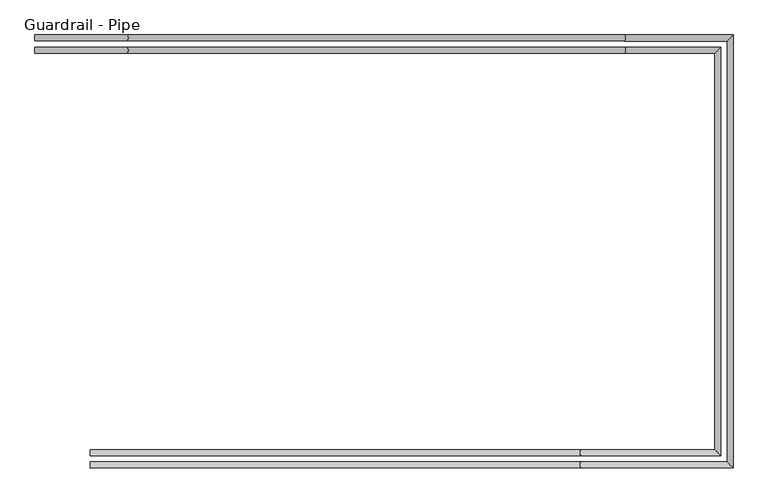
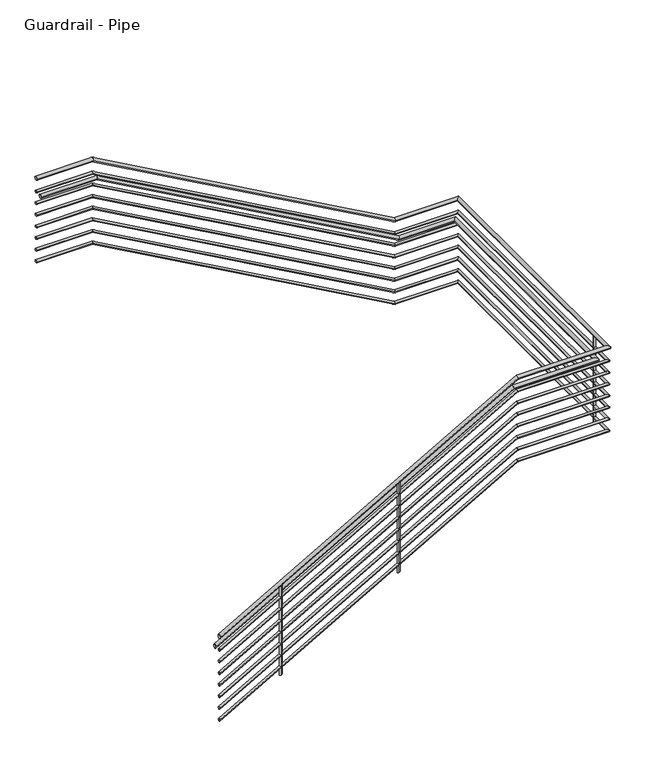
"""IFC4 building model written with IfcOpenShell, lengths in millimetres: railing geometry, Guardrail - Pipe."""

from ifc_helpers import new_model, si_unit, point, frame, frame_2d, origin, place, context, project, spatial, circle_curve, ellipse_curve, trimmed, segment, composite_curve, outline, extrude, source, transform, mapped, element, save
from ifc_brep_helpers import plane_surface, cylinder_surface, advanced_brep


def guardrail_pipe_fbd9bd39(model_context):
    return source(origin(), model_context, "Body", "SolidModel", [
        advanced_brep(
        [(2369.5904629, -21101.8840928, 8667.75), (2369.5904629, -21063.7840928, 8667.75), (2948.8126111, -21101.8840928, 8667.75), (2948.8126111, -21063.7840928, 8667.75), (6067.4829188, -21101.8840928, 6918.4630435), (6067.4829188, -21063.7840928, 6918.4630435), (6709.6952881, -21101.8840928, 6918.4630435), (6747.7952881, -21063.7840928, 6918.4630435), (6709.6952881, -23740.9587769, 6918.4630435), (6747.7952881, -23779.0587769, 6918.4630435), (5793.9869162, -23740.9587769, 6918.4630435), (5793.9869162, -23779.0587769, 6918.4630435), (2715.5452881, -23740.9587769, 5166.3065437), (2715.5452881, -23779.0587769, 5166.3065437)],
        [
            (0, 1, circle_curve(frame((2369.5904629, -21082.8340928, 8667.75), z_axis=(-1.0, 0.0, 0.0), x_axis=(0.0, 1.0, 0.0)), 19.05)),
            (1, 0, circle_curve(frame((2369.5904629, -21082.8340928, 8667.75), z_axis=(-1.0, 0.0, 0.0), x_axis=(0.0, 1.0, 0.0)), 19.05)),
            (0, 2),
            (2, 3, ellipse_curve(frame((2948.8126111, -21082.8340928, 8667.75), z_axis=(-0.967514398116073, 0.0, 0.252815920064566), x_axis=(-0.25281592006456594, 0.0, -0.967514398116073)), 19.6896295, 19.05)),
            (3, 1),
            (3, 2, ellipse_curve(frame((2948.8126111, -21082.8340928, 8667.75), z_axis=(-0.967514398116073, 0.0, 0.252815920064566), x_axis=(-0.25281592006456594, 0.0, -0.967514398116073)), 19.6896295, 19.05)),
            (2, 4),
            (4, 5, ellipse_curve(frame((6067.4829188, -21082.8340928, 6918.4630435), z_axis=(-0.967514398116073, 0.0, 0.25281592006456594), x_axis=(0.2528159200645659, 0.0, 0.967514398116073)), 19.6896295, 19.05)),
            (5, 3),
            (5, 4, ellipse_curve(frame((6067.4829188, -21082.8340928, 6918.4630435), z_axis=(-0.967514398116073, 0.0, 0.25281592006456594), x_axis=(0.2528159200645659, 0.0, 0.967514398116073)), 19.6896295, 19.05)),
            (4, 6),
            (6, 7, ellipse_curve(frame((6728.7452881, -21082.8340928, 6918.4630435), z_axis=(-0.7071067811865449, 0.70710678118655, 0.0), x_axis=(-0.7071067811865501, -0.7071067811865448, 0.0)), 26.9407684, 19.05)),
            (7, 5),
            (7, 6, ellipse_curve(frame((6728.7452881, -21082.8340928, 6918.4630435), z_axis=(-0.7071067811865449, 0.70710678118655, 0.0), x_axis=(-0.7071067811865501, -0.7071067811865448, 0.0)), 26.9407684, 19.05)),
            (6, 8),
            (8, 9, ellipse_curve(frame((6728.7452881, -23760.0087769, 6918.4630435), z_axis=(0.7071067811865501, 0.707106781186545, 0.0), x_axis=(-0.7071067811865451, 0.70710678118655, 0.0)), 26.9407684, 19.05)),
            (9, 7),
            (9, 8, ellipse_curve(frame((6728.7452881, -23760.0087769, 6918.4630435), z_axis=(0.7071067811865501, 0.707106781186545, 0.0), x_axis=(-0.7071067811865451, 0.70710678118655, 0.0)), 26.9407684, 19.05)),
            (8, 10),
            (10, 11, ellipse_curve(frame((5793.9869162, -23760.0087769, 6918.4630435), z_axis=(0.9667180176221442, 0.0, 0.25584423856071475), x_axis=(0.2558442385607142, 0.0, -0.9667180176221442)), 19.7058497, 19.05)),
            (11, 9),
            (11, 10, ellipse_curve(frame((5793.9869162, -23760.0087769, 6918.4630435), z_axis=(0.9667180176221442, 0.0, 0.25584423856071475), x_axis=(0.2558442385607142, 0.0, -0.9667180176221442)), 19.7058497, 19.05)),
            (12, 13, ellipse_curve(frame((2715.5452881, -23760.0087769, 5166.3065437), z_axis=(-1.0, 0.0, 0.0), x_axis=(0.0, 0.0, 1.0)), 21.9195433, 19.05)),
            (13, 12, ellipse_curve(frame((2715.5452881, -23760.0087769, 5166.3065437), z_axis=(-1.0, 0.0, 0.0), x_axis=(0.0, 0.0, 1.0)), 21.9195433, 19.05)),
            (10, 12),
            (13, 11),
        ],
        [
            plane_surface(frame((2369.5904629, -21082.8340928, 8686.8), z_axis=(-1.0, 0.0, 0.0), x_axis=(0.0, 1.0, 0.0))),
            cylinder_surface(frame((2369.5904629, -21082.8340928, 8667.75), z_axis=(-1.0, 0.0, 0.0), x_axis=(0.0, 1.0, 0.0)), 19.05),
            cylinder_surface(frame((2944.471087, -21082.8340928, 8670.1851954), z_axis=(-0.872168221123814, 0.0, 0.4892060854708596), x_axis=(0.0, 1.0, 0.0)), 19.05),
            cylinder_surface(frame((6072.4607706, -21082.8340928, 6918.4630435), z_axis=(-1.0, 0.0, 0.0), x_axis=(0.0, 1.0, 0.0)), 19.05),
            cylinder_surface(frame((6728.7452881, -21082.8340928, 6918.4630435), z_axis=(0.0, 1.0, 0.0), x_axis=(1.0, 0.0, 0.0)), 19.05),
            cylinder_surface(frame((6728.7452881, -23760.0087769, 6918.4630435), z_axis=(1.0, 0.0, 0.0), x_axis=(0.0, -1.0, 0.0)), 19.05),
            plane_surface(frame((2715.5452881, -23760.0087769, 5188.226087), z_axis=(-1.0, 0.0, 0.0), x_axis=(0.0, -1.0, 0.0))),
            cylinder_surface(frame((5798.3685319, -23760.0087769, 6920.9569275), z_axis=(0.8690874511905762, 0.0, 0.4946584702429222), x_axis=(0.0, -1.0, 0.0)), 19.05),
        ],
        [
            (0, [[1, 2]]),
            (1, [[-1, 3, 4, 5]]),
            (1, [[-2, -5, 6, -3]]),
            (2, [[-4, 7, 8, 9]]),
            (2, [[-6, -9, 10, -7]]),
            (3, [[-8, 11, 12, 13]]),
            (3, [[-10, -13, 14, -11]]),
            (4, [[-12, 15, 16, 17]]),
            (4, [[-14, -17, 18, -15]]),
            (5, [[-16, 19, 20, 21]]),
            (5, [[-18, -21, 22, -19]]),
            (6, [[23, 24]]),
            (7, [[-20, 25, -24, 26]]),
            (7, [[-22, -26, -23, -25]]),
        ],
    ),
        advanced_brep(
        [(2369.5904629, -21095.5340928, 8521.7), (2369.5904629, -21070.1340928, 8521.7), (2950.471895, -21095.5340928, 8521.7), (2950.471895, -21070.1340928, 8521.7), (6069.1422027, -21095.5340928, 6772.4130435), (6069.1422027, -21070.1340928, 6772.4130435), (6716.0452881, -21095.5340928, 6772.4130435), (6741.4452881, -21070.1340928, 6772.4130435), (6716.0452881, -23747.3087769, 6772.4130435), (6741.4452881, -23772.7087769, 6772.4130435), (5792.3063735, -23747.3087769, 6772.4130435), (5792.3063735, -23772.7087769, 6772.4130435), (2715.5452881, -23747.3087769, 5021.2130581), (2715.5452881, -23772.7087769, 5021.2130581)],
        [
            (0, 1, circle_curve(frame((2369.5904629, -21082.8340928, 8521.7), z_axis=(-1.0, 0.0, 0.0), x_axis=(0.0, 1.0, 0.0)), 12.7)),
            (1, 0, circle_curve(frame((2369.5904629, -21082.8340928, 8521.7), z_axis=(-1.0, 0.0, 0.0), x_axis=(0.0, 1.0, 0.0)), 12.7)),
            (0, 2),
            (2, 3, ellipse_curve(frame((2950.471895, -21082.8340928, 8521.7), z_axis=(-0.967514398116073, 0.0, 0.252815920064566), x_axis=(-0.25281592006456594, 0.0, -0.967514398116073)), 13.1264196, 12.7)),
            (3, 1),
            (3, 2, ellipse_curve(frame((2950.471895, -21082.8340928, 8521.7), z_axis=(-0.967514398116073, 0.0, 0.252815920064566), x_axis=(-0.25281592006456594, 0.0, -0.967514398116073)), 13.1264196, 12.7)),
            (2, 4),
            (4, 5, ellipse_curve(frame((6069.1422027, -21082.8340928, 6772.4130435), z_axis=(-0.967514398116073, 0.0, 0.25281592006456594), x_axis=(0.2528159200645659, 0.0, 0.967514398116073)), 13.1264196, 12.7)),
            (5, 3),
            (5, 4, ellipse_curve(frame((6069.1422027, -21082.8340928, 6772.4130435), z_axis=(-0.967514398116073, 0.0, 0.25281592006456594), x_axis=(0.2528159200645659, 0.0, 0.967514398116073)), 13.1264196, 12.7)),
            (4, 6),
            (6, 7, ellipse_curve(frame((6728.7452881, -21082.8340928, 6772.4130435), z_axis=(-0.7071067811865449, 0.70710678118655, 0.0), x_axis=(-0.7071067811865501, -0.7071067811865448, 0.0)), 17.9605122, 12.7)),
            (7, 5),
            (7, 6, ellipse_curve(frame((6728.7452881, -21082.8340928, 6772.4130435), z_axis=(-0.7071067811865449, 0.70710678118655, 0.0), x_axis=(-0.7071067811865501, -0.7071067811865448, 0.0)), 17.9605122, 12.7)),
            (6, 8),
            (8, 9, ellipse_curve(frame((6728.7452881, -23760.0087769, 6772.4130435), z_axis=(0.7071067811865501, 0.707106781186545, 0.0), x_axis=(-0.7071067811865451, 0.70710678118655, 0.0)), 17.9605122, 12.7)),
            (9, 7),
            (9, 8, ellipse_curve(frame((6728.7452881, -23760.0087769, 6772.4130435), z_axis=(0.7071067811865501, 0.707106781186545, 0.0), x_axis=(-0.7071067811865451, 0.70710678118655, 0.0)), 17.9605122, 12.7)),
            (8, 10),
            (10, 11, ellipse_curve(frame((5792.3063735, -23760.0087769, 6772.4130435), z_axis=(0.9667180176221442, 0.0, 0.25584423856071475), x_axis=(0.2558442385607142, 0.0, -0.9667180176221442)), 13.1372332, 12.7)),
            (11, 9),
            (11, 10, ellipse_curve(frame((5792.3063735, -23760.0087769, 6772.4130435), z_axis=(0.9667180176221442, 0.0, 0.25584423856071475), x_axis=(0.2558442385607142, 0.0, -0.9667180176221442)), 13.1372332, 12.7)),
            (12, 13, ellipse_curve(frame((2715.5452881, -23760.0087769, 5021.2130581), z_axis=(-1.0, 0.0, 0.0), x_axis=(0.0, 0.0, 1.0)), 14.6130289, 12.7)),
            (13, 12, ellipse_curve(frame((2715.5452881, -23760.0087769, 5021.2130581), z_axis=(-1.0, 0.0, 0.0), x_axis=(0.0, 0.0, 1.0)), 14.6130289, 12.7)),
            (10, 12),
            (13, 11),
        ],
        [
            plane_surface(frame((2369.5904629, -21082.8340928, 8534.4), z_axis=(-1.0, 0.0, 0.0), x_axis=(0.0, 1.0, 0.0))),
            cylinder_surface(frame((2369.5904629, -21082.8340928, 8521.7), z_axis=(-1.0, 0.0, 0.0), x_axis=(0.0, 1.0, 0.0)), 12.7),
            cylinder_surface(frame((2947.5775456, -21082.8340928, 8523.3234636), z_axis=(-0.872168221123814, 0.0, 0.4892060854708596), x_axis=(0.0, 1.0, 0.0)), 12.7),
            cylinder_surface(frame((6072.4607706, -21082.8340928, 6772.4130435), z_axis=(-1.0, 0.0, 0.0), x_axis=(0.0, 1.0, 0.0)), 12.7),
            cylinder_surface(frame((6728.7452881, -21082.8340928, 6772.4130435), z_axis=(0.0, 1.0, 0.0), x_axis=(1.0, 0.0, 0.0)), 12.7),
            cylinder_surface(frame((6728.7452881, -23760.0087769, 6772.4130435), z_axis=(1.0, 0.0, 0.0), x_axis=(0.0, -1.0, 0.0)), 12.7),
            plane_surface(frame((2715.5452881, -23760.0087769, 5035.826087), z_axis=(-1.0, 0.0, 0.0), x_axis=(0.0, -1.0, 0.0))),
            cylinder_surface(frame((5795.2274506, -23760.0087769, 6774.0756328), z_axis=(0.8690874511905762, 0.0, 0.4946584702429222), x_axis=(0.0, -1.0, 0.0)), 12.7),
        ],
        [
            (0, [[1, 2]]),
            (1, [[-1, 3, 4, 5]]),
            (1, [[-2, -5, 6, -3]]),
            (2, [[-4, 7, 8, 9]]),
            (2, [[-6, -9, 10, -7]]),
            (3, [[-8, 11, 12, 13]]),
            (3, [[-10, -13, 14, -11]]),
            (4, [[-12, 15, 16, 17]]),
            (4, [[-14, -17, 18, -15]]),
            (5, [[-16, 19, 20, 21]]),
            (5, [[-18, -21, 22, -19]]),
            (6, [[23, 24]]),
            (7, [[-20, 25, -24, 26]]),
            (7, [[-22, -26, -23, -25]]),
        ],
    ),
        advanced_brep(
        [(2369.5904629, -21178.0840928, 8515.35), (2369.5904629, -21139.9840928, 8515.35), (2948.8126111, -21178.0840928, 8515.35), (2948.8126111, -21139.9840928, 8515.35), (6067.4829188, -21178.0840928, 6766.0630435), (6067.4829188, -21139.9840928, 6766.0630435), (6633.4952881, -21178.0840928, 6766.0630435), (6671.5952881, -21139.9840928, 6766.0630435), (6633.4952881, -23664.7587769, 6766.0630435), (6671.5952881, -23702.8587769, 6766.0630435), (5793.9869162, -23664.7587769, 6766.0630435), (5793.9869162, -23702.8587769, 6766.0630435), (2715.5452881, -23664.7587769, 5013.9065437), (2715.5452881, -23702.8587769, 5013.9065437)],
        [
            (0, 1, circle_curve(frame((2369.5904629, -21159.0340928, 8515.35), z_axis=(-1.0, 0.0, 0.0), x_axis=(0.0, 1.0, 0.0)), 19.05)),
            (1, 0, circle_curve(frame((2369.5904629, -21159.0340928, 8515.35), z_axis=(-1.0, 0.0, 0.0), x_axis=(0.0, 1.0, 0.0)), 19.05)),
            (0, 2),
            (2, 3, ellipse_curve(frame((2948.8126111, -21159.0340928, 8515.35), z_axis=(-0.967514398116073, 0.0, 0.252815920064566), x_axis=(-0.25281592006456594, 0.0, -0.967514398116073)), 19.6896295, 19.05)),
            (3, 1),
            (3, 2, ellipse_curve(frame((2948.8126111, -21159.0340928, 8515.35), z_axis=(-0.967514398116073, 0.0, 0.252815920064566), x_axis=(-0.25281592006456594, 0.0, -0.967514398116073)), 19.6896295, 19.05)),
            (2, 4),
            (4, 5, ellipse_curve(frame((6067.4829188, -21159.0340928, 6766.0630435), z_axis=(-0.967514398116073, 0.0, 0.25281592006456594), x_axis=(0.2528159200645659, 0.0, 0.967514398116073)), 19.6896295, 19.05)),
            (5, 3),
            (5, 4, ellipse_curve(frame((6067.4829188, -21159.0340928, 6766.0630435), z_axis=(-0.967514398116073, 0.0, 0.25281592006456594), x_axis=(0.2528159200645659, 0.0, 0.967514398116073)), 19.6896295, 19.05)),
            (4, 6),
            (6, 7, ellipse_curve(frame((6652.5452881, -21159.0340928, 6766.0630435), z_axis=(-0.7071067811865449, 0.70710678118655, 0.0), x_axis=(-0.7071067811865501, -0.7071067811865448, 0.0)), 26.9407684, 19.05)),
            (7, 5),
            (7, 6, ellipse_curve(frame((6652.5452881, -21159.0340928, 6766.0630435), z_axis=(-0.7071067811865449, 0.70710678118655, 0.0), x_axis=(-0.7071067811865501, -0.7071067811865448, 0.0)), 26.9407684, 19.05)),
            (6, 8),
            (8, 9, ellipse_curve(frame((6652.5452881, -23683.8087769, 6766.0630435), z_axis=(0.7071067811865501, 0.707106781186545, 0.0), x_axis=(-0.7071067811865451, 0.70710678118655, 0.0)), 26.9407684, 19.05)),
            (9, 7),
            (9, 8, ellipse_curve(frame((6652.5452881, -23683.8087769, 6766.0630435), z_axis=(0.7071067811865501, 0.707106781186545, 0.0), x_axis=(-0.7071067811865451, 0.70710678118655, 0.0)), 26.9407684, 19.05)),
            (8, 10),
            (10, 11, ellipse_curve(frame((5793.9869162, -23683.8087769, 6766.0630435), z_axis=(0.9667180176221442, 0.0, 0.25584423856071475), x_axis=(0.2558442385607142, 0.0, -0.9667180176221442)), 19.7058497, 19.05)),
            (11, 9),
            (11, 10, ellipse_curve(frame((5793.9869162, -23683.8087769, 6766.0630435), z_axis=(0.9667180176221442, 0.0, 0.25584423856071475), x_axis=(0.2558442385607142, 0.0, -0.9667180176221442)), 19.7058497, 19.05)),
            (12, 13, ellipse_curve(frame((2715.5452881, -23683.8087769, 5013.9065437), z_axis=(-1.0, 0.0, 0.0), x_axis=(0.0, 0.0, 1.0)), 21.9195433, 19.05)),
            (13, 12, ellipse_curve(frame((2715.5452881, -23683.8087769, 5013.9065437), z_axis=(-1.0, 0.0, 0.0), x_axis=(0.0, 0.0, 1.0)), 21.9195433, 19.05)),
            (10, 12),
            (13, 11),
        ],
        [
            plane_surface(frame((2369.5904629, -21159.0340928, 8534.4), z_axis=(-1.0, 0.0, 0.0), x_axis=(0.0, 1.0, 0.0))),
            cylinder_surface(frame((2369.5904629, -21159.0340928, 8515.35), z_axis=(-1.0, 0.0, 0.0), x_axis=(0.0, 1.0, 0.0)), 19.05),
            cylinder_surface(frame((2944.471087, -21159.0340928, 8517.7851954), z_axis=(-0.872168221123814, 0.0, 0.4892060854708596), x_axis=(0.0, 1.0, 0.0)), 19.05),
            cylinder_surface(frame((6072.4607706, -21159.0340928, 6766.0630435), z_axis=(-1.0, 0.0, 0.0), x_axis=(0.0, 1.0, 0.0)), 19.05),
            cylinder_surface(frame((6652.5452881, -21159.0340928, 6766.0630435), z_axis=(0.0, 1.0, 0.0), x_axis=(1.0, 0.0, 0.0)), 19.05),
            cylinder_surface(frame((6652.5452881, -23683.8087769, 6766.0630435), z_axis=(1.0, 0.0, 0.0), x_axis=(0.0, -1.0, 0.0)), 19.05),
            plane_surface(frame((2715.5452881, -23683.8087769, 5035.826087), z_axis=(-1.0, 0.0, 0.0), x_axis=(0.0, -1.0, 0.0))),
            cylinder_surface(frame((5798.3685319, -23683.8087769, 6768.5569275), z_axis=(0.8690874511905762, 0.0, 0.4946584702429222), x_axis=(0.0, -1.0, 0.0)), 19.05),
        ],
        [
            (0, [[1, 2]]),
            (1, [[-1, 3, 4, 5]]),
            (1, [[-2, -5, 6, -3]]),
            (2, [[-4, 7, 8, 9]]),
            (2, [[-6, -9, 10, -7]]),
            (3, [[-8, 11, 12, 13]]),
            (3, [[-10, -13, 14, -11]]),
            (4, [[-12, 15, 16, 17]]),
            (4, [[-14, -17, 18, -15]]),
            (5, [[-16, 19, 20, 21]]),
            (5, [[-18, -21, 22, -19]]),
            (6, [[23, 24]]),
            (7, [[-20, 25, -24, 26]]),
            (7, [[-22, -26, -23, -25]]),
        ],
    ),
        advanced_brep(
        [(2369.5904629, -21095.5340928, 8394.7), (2369.5904629, -21070.1340928, 8394.7), (2950.471895, -21095.5340928, 8394.7), (2950.471895, -21070.1340928, 8394.7), (6069.1422027, -21095.5340928, 6645.4130435), (6069.1422027, -21070.1340928, 6645.4130435), (6716.0452881, -21095.5340928, 6645.4130435), (6741.4452881, -21070.1340928, 6645.4130435), (6716.0452881, -23747.3087769, 6645.4130435), (6741.4452881, -23772.7087769, 6645.4130435), (5792.3063735, -23747.3087769, 6645.4130435), (5792.3063735, -23772.7087769, 6645.4130435), (2715.5452881, -23747.3087769, 4894.2130581), (2715.5452881, -23772.7087769, 4894.2130581)],
        [
            (0, 1, circle_curve(frame((2369.5904629, -21082.8340928, 8394.7), z_axis=(-1.0, 0.0, 0.0), x_axis=(0.0, 1.0, 0.0)), 12.7)),
            (1, 0, circle_curve(frame((2369.5904629, -21082.8340928, 8394.7), z_axis=(-1.0, 0.0, 0.0), x_axis=(0.0, 1.0, 0.0)), 12.7)),
            (0, 2),
            (2, 3, ellipse_curve(frame((2950.471895, -21082.8340928, 8394.7), z_axis=(-0.967514398116073, 0.0, 0.252815920064566), x_axis=(-0.25281592006456594, 0.0, -0.967514398116073)), 13.1264196, 12.7)),
            (3, 1),
            (3, 2, ellipse_curve(frame((2950.471895, -21082.8340928, 8394.7), z_axis=(-0.967514398116073, 0.0, 0.252815920064566), x_axis=(-0.25281592006456594, 0.0, -0.967514398116073)), 13.1264196, 12.7)),
            (2, 4),
            (4, 5, ellipse_curve(frame((6069.1422027, -21082.8340928, 6645.4130435), z_axis=(-0.967514398116073, 0.0, 0.25281592006456594), x_axis=(0.2528159200645659, 0.0, 0.967514398116073)), 13.1264196, 12.7)),
            (5, 3),
            (5, 4, ellipse_curve(frame((6069.1422027, -21082.8340928, 6645.4130435), z_axis=(-0.967514398116073, 0.0, 0.25281592006456594), x_axis=(0.2528159200645659, 0.0, 0.967514398116073)), 13.1264196, 12.7)),
            (4, 6),
            (6, 7, ellipse_curve(frame((6728.7452881, -21082.8340928, 6645.4130435), z_axis=(-0.7071067811865449, 0.70710678118655, 0.0), x_axis=(-0.7071067811865501, -0.7071067811865448, 0.0)), 17.9605122, 12.7)),
            (7, 5),
            (7, 6, ellipse_curve(frame((6728.7452881, -21082.8340928, 6645.4130435), z_axis=(-0.7071067811865449, 0.70710678118655, 0.0), x_axis=(-0.7071067811865501, -0.7071067811865448, 0.0)), 17.9605122, 12.7)),
            (6, 8),
            (8, 9, ellipse_curve(frame((6728.7452881, -23760.0087769, 6645.4130435), z_axis=(0.7071067811865501, 0.707106781186545, 0.0), x_axis=(-0.7071067811865451, 0.70710678118655, 0.0)), 17.9605122, 12.7)),
            (9, 7),
            (9, 8, ellipse_curve(frame((6728.7452881, -23760.0087769, 6645.4130435), z_axis=(0.7071067811865501, 0.707106781186545, 0.0), x_axis=(-0.7071067811865451, 0.70710678118655, 0.0)), 17.9605122, 12.7)),
            (8, 10),
            (10, 11, ellipse_curve(frame((5792.3063735, -23760.0087769, 6645.4130435), z_axis=(0.9667180176221442, 0.0, 0.25584423856071475), x_axis=(0.2558442385607142, 0.0, -0.9667180176221442)), 13.1372332, 12.7)),
            (11, 9),
            (11, 10, ellipse_curve(frame((5792.3063735, -23760.0087769, 6645.4130435), z_axis=(0.9667180176221442, 0.0, 0.25584423856071475), x_axis=(0.2558442385607142, 0.0, -0.9667180176221442)), 13.1372332, 12.7)),
            (12, 13, ellipse_curve(frame((2715.5452881, -23760.0087769, 4894.2130581), z_axis=(-1.0, 0.0, 0.0), x_axis=(0.0, 0.0, 1.0)), 14.6130289, 12.7)),
            (13, 12, ellipse_curve(frame((2715.5452881, -23760.0087769, 4894.2130581), z_axis=(-1.0, 0.0, 0.0), x_axis=(0.0, 0.0, 1.0)), 14.6130289, 12.7)),
            (10, 12),
            (13, 11),
        ],
        [
            plane_surface(frame((2369.5904629, -21082.8340928, 8407.4), z_axis=(-1.0, 0.0, 0.0), x_axis=(0.0, 1.0, 0.0))),
            cylinder_surface(frame((2369.5904629, -21082.8340928, 8394.7), z_axis=(-1.0, 0.0, 0.0), x_axis=(0.0, 1.0, 0.0)), 12.7),
            cylinder_surface(frame((2947.5775456, -21082.8340928, 8396.3234636), z_axis=(-0.872168221123814, 0.0, 0.4892060854708596), x_axis=(0.0, 1.0, 0.0)), 12.7),
            cylinder_surface(frame((6072.4607706, -21082.8340928, 6645.4130435), z_axis=(-1.0, 0.0, 0.0), x_axis=(0.0, 1.0, 0.0)), 12.7),
            cylinder_surface(frame((6728.7452881, -21082.8340928, 6645.4130435), z_axis=(0.0, 1.0, 0.0), x_axis=(1.0, 0.0, 0.0)), 12.7),
            cylinder_surface(frame((6728.7452881, -23760.0087769, 6645.4130435), z_axis=(1.0, 0.0, 0.0), x_axis=(0.0, -1.0, 0.0)), 12.7),
            plane_surface(frame((2715.5452881, -23760.0087769, 4908.826087), z_axis=(-1.0, 0.0, 0.0), x_axis=(0.0, -1.0, 0.0))),
            cylinder_surface(frame((5795.2274506, -23760.0087769, 6647.0756328), z_axis=(0.8690874511905762, 0.0, 0.4946584702429222), x_axis=(0.0, -1.0, 0.0)), 12.7),
        ],
        [
            (0, [[1, 2]]),
            (1, [[-1, 3, 4, 5]]),
            (1, [[-2, -5, 6, -3]]),
            (2, [[-4, 7, 8, 9]]),
            (2, [[-6, -9, 10, -7]]),
            (3, [[-8, 11, 12, 13]]),
            (3, [[-10, -13, 14, -11]]),
            (4, [[-12, 15, 16, 17]]),
            (4, [[-14, -17, 18, -15]]),
            (5, [[-16, 19, 20, 21]]),
            (5, [[-18, -21, 22, -19]]),
            (6, [[23, 24]]),
            (7, [[-20, 25, -24, 26]]),
            (7, [[-22, -26, -23, -25]]),
        ],
    ),
        advanced_brep(
        [(2369.5904629, -21095.5340928, 8267.7), (2369.5904629, -21070.1340928, 8267.7), (2950.471895, -21095.5340928, 8267.7), (2950.471895, -21070.1340928, 8267.7), (6069.1422027, -21095.5340928, 6518.4130435), (6069.1422027, -21070.1340928, 6518.4130435), (6716.0452881, -21095.5340928, 6518.4130435), (6741.4452881, -21070.1340928, 6518.4130435), (6716.0452881, -23747.3087769, 6518.4130435), (6741.4452881, -23772.7087769, 6518.4130435), (5792.3063735, -23747.3087769, 6518.4130435), (5792.3063735, -23772.7087769, 6518.4130435), (2715.5452881, -23747.3087769, 4767.2130581), (2715.5452881, -23772.7087769, 4767.2130581)],
        [
            (0, 1, circle_curve(frame((2369.5904629, -21082.8340928, 8267.7), z_axis=(-1.0, 0.0, 0.0), x_axis=(0.0, 1.0, 0.0)), 12.7)),
            (1, 0, circle_curve(frame((2369.5904629, -21082.8340928, 8267.7), z_axis=(-1.0, 0.0, 0.0), x_axis=(0.0, 1.0, 0.0)), 12.7)),
            (0, 2),
            (2, 3, ellipse_curve(frame((2950.471895, -21082.8340928, 8267.7), z_axis=(-0.967514398116073, 0.0, 0.252815920064566), x_axis=(-0.25281592006456594, 0.0, -0.967514398116073)), 13.1264196, 12.7)),
            (3, 1),
            (3, 2, ellipse_curve(frame((2950.471895, -21082.8340928, 8267.7), z_axis=(-0.967514398116073, 0.0, 0.252815920064566), x_axis=(-0.25281592006456594, 0.0, -0.967514398116073)), 13.1264196, 12.7)),
            (2, 4),
            (4, 5, ellipse_curve(frame((6069.1422027, -21082.8340928, 6518.4130435), z_axis=(-0.967514398116073, 0.0, 0.25281592006456594), x_axis=(0.2528159200645659, 0.0, 0.967514398116073)), 13.1264196, 12.7)),
            (5, 3),
            (5, 4, ellipse_curve(frame((6069.1422027, -21082.8340928, 6518.4130435), z_axis=(-0.967514398116073, 0.0, 0.25281592006456594), x_axis=(0.2528159200645659, 0.0, 0.967514398116073)), 13.1264196, 12.7)),
            (4, 6),
            (6, 7, ellipse_curve(frame((6728.7452881, -21082.8340928, 6518.4130435), z_axis=(-0.7071067811865449, 0.70710678118655, 0.0), x_axis=(-0.7071067811865501, -0.7071067811865448, 0.0)), 17.9605122, 12.7)),
            (7, 5),
            (7, 6, ellipse_curve(frame((6728.7452881, -21082.8340928, 6518.4130435), z_axis=(-0.7071067811865449, 0.70710678118655, 0.0), x_axis=(-0.7071067811865501, -0.7071067811865448, 0.0)), 17.9605122, 12.7)),
            (6, 8),
            (8, 9, ellipse_curve(frame((6728.7452881, -23760.0087769, 6518.4130435), z_axis=(0.7071067811865501, 0.707106781186545, 0.0), x_axis=(-0.7071067811865451, 0.70710678118655, 0.0)), 17.9605122, 12.7)),
            (9, 7),
            (9, 8, ellipse_curve(frame((6728.7452881, -23760.0087769, 6518.4130435), z_axis=(0.7071067811865501, 0.707106781186545, 0.0), x_axis=(-0.7071067811865451, 0.70710678118655, 0.0)), 17.9605122, 12.7)),
            (8, 10),
            (10, 11, ellipse_curve(frame((5792.3063735, -23760.0087769, 6518.4130435), z_axis=(0.9667180176221442, 0.0, 0.2558442385607148), x_axis=(0.25584423856071414, 0.0, -0.9667180176221442)), 13.1372332, 12.7)),
            (11, 9),
            (11, 10, ellipse_curve(frame((5792.3063735, -23760.0087769, 6518.4130435), z_axis=(0.9667180176221442, 0.0, 0.2558442385607148), x_axis=(0.25584423856071414, 0.0, -0.9667180176221442)), 13.1372332, 12.7)),
            (12, 13, ellipse_curve(frame((2715.5452881, -23760.0087769, 4767.2130581), z_axis=(-1.0, 0.0, 0.0), x_axis=(0.0, 0.0, 1.0)), 14.6130289, 12.7)),
            (13, 12, ellipse_curve(frame((2715.5452881, -23760.0087769, 4767.2130581), z_axis=(-1.0, 0.0, 0.0), x_axis=(0.0, 0.0, 1.0)), 14.6130289, 12.7)),
            (10, 12),
            (13, 11),
        ],
        [
            plane_surface(frame((2369.5904629, -21082.8340928, 8280.4), z_axis=(-1.0, 0.0, 0.0), x_axis=(0.0, 1.0, 0.0))),
            cylinder_surface(frame((2369.5904629, -21082.8340928, 8267.7), z_axis=(-1.0, 0.0, 0.0), x_axis=(0.0, 1.0, 0.0)), 12.7),
            cylinder_surface(frame((2947.5775456, -21082.8340928, 8269.3234636), z_axis=(-0.872168221123814, 0.0, 0.4892060854708596), x_axis=(0.0, 1.0, 0.0)), 12.7),
            cylinder_surface(frame((6072.4607706, -21082.8340928, 6518.4130435), z_axis=(-1.0, 0.0, 0.0), x_axis=(0.0, 1.0, 0.0)), 12.7),
            cylinder_surface(frame((6728.7452881, -21082.8340928, 6518.4130435), z_axis=(0.0, 1.0, 0.0), x_axis=(1.0, 0.0, 0.0)), 12.7),
            cylinder_surface(frame((6728.7452881, -23760.0087769, 6518.4130435), z_axis=(1.0, 0.0, 0.0), x_axis=(0.0, -1.0, 0.0)), 12.7),
            plane_surface(frame((2715.5452881, -23760.0087769, 4781.826087), z_axis=(-1.0, 0.0, 0.0), x_axis=(0.0, -1.0, 0.0))),
            cylinder_surface(frame((5795.2274506, -23760.0087769, 6520.0756328), z_axis=(0.8690874511905762, 0.0, 0.49465847024292225), x_axis=(0.0, -1.0, 0.0)), 12.7),
        ],
        [
            (0, [[1, 2]]),
            (1, [[-1, 3, 4, 5]]),
            (1, [[-2, -5, 6, -3]]),
            (2, [[-4, 7, 8, 9]]),
            (2, [[-6, -9, 10, -7]]),
            (3, [[-8, 11, 12, 13]]),
            (3, [[-10, -13, 14, -11]]),
            (4, [[-12, 15, 16, 17]]),
            (4, [[-14, -17, 18, -15]]),
            (5, [[-16, 19, 20, 21]]),
            (5, [[-18, -21, 22, -19]]),
            (6, [[23, 24]]),
            (7, [[-20, 25, -24, 26]]),
            (7, [[-22, -26, -23, -25]]),
        ],
    ),
        advanced_brep(
        [(2369.5904629, -21095.5340928, 8140.7), (2369.5904629, -21070.1340928, 8140.7), (2950.471895, -21095.5340928, 8140.7), (2950.471895, -21070.1340928, 8140.7), (6069.1422027, -21095.5340928, 6391.4130435), (6069.1422027, -21070.1340928, 6391.4130435), (6716.0452881, -21095.5340928, 6391.4130435), (6741.4452881, -21070.1340928, 6391.4130435), (6716.0452881, -23747.3087769, 6391.4130435), (6741.4452881, -23772.7087769, 6391.4130435), (5792.3063735, -23747.3087769, 6391.4130435), (5792.3063735, -23772.7087769, 6391.4130435), (2715.5452881, -23747.3087769, 4640.2130581), (2715.5452881, -23772.7087769, 4640.2130581)],
        [
            (0, 1, circle_curve(frame((2369.5904629, -21082.8340928, 8140.7), z_axis=(-1.0, 0.0, 0.0), x_axis=(0.0, 1.0, 0.0)), 12.7)),
            (1, 0, circle_curve(frame((2369.5904629, -21082.8340928, 8140.7), z_axis=(-1.0, 0.0, 0.0), x_axis=(0.0, 1.0, 0.0)), 12.7)),
            (0, 2),
            (2, 3, ellipse_curve(frame((2950.471895, -21082.8340928, 8140.7), z_axis=(-0.967514398116073, 0.0, 0.252815920064566), x_axis=(-0.25281592006456594, 0.0, -0.967514398116073)), 13.1264196, 12.7)),
            (3, 1),
            (3, 2, ellipse_curve(frame((2950.471895, -21082.8340928, 8140.7), z_axis=(-0.967514398116073, 0.0, 0.252815920064566), x_axis=(-0.25281592006456594, 0.0, -0.967514398116073)), 13.1264196, 12.7)),
            (2, 4),
            (4, 5, ellipse_curve(frame((6069.1422027, -21082.8340928, 6391.4130435), z_axis=(-0.967514398116073, 0.0, 0.25281592006456594), x_axis=(0.2528159200645659, 0.0, 0.967514398116073)), 13.1264196, 12.7)),
            (5, 3),
            (5, 4, ellipse_curve(frame((6069.1422027, -21082.8340928, 6391.4130435), z_axis=(-0.967514398116073, 0.0, 0.25281592006456594), x_axis=(0.2528159200645659, 0.0, 0.967514398116073)), 13.1264196, 12.7)),
            (4, 6),
            (6, 7, ellipse_curve(frame((6728.7452881, -21082.8340928, 6391.4130435), z_axis=(-0.7071067811865449, 0.70710678118655, 0.0), x_axis=(-0.7071067811865501, -0.7071067811865448, 0.0)), 17.9605122, 12.7)),
            (7, 5),
            (7, 6, ellipse_curve(frame((6728.7452881, -21082.8340928, 6391.4130435), z_axis=(-0.7071067811865449, 0.70710678118655, 0.0), x_axis=(-0.7071067811865501, -0.7071067811865448, 0.0)), 17.9605122, 12.7)),
            (6, 8),
            (8, 9, ellipse_curve(frame((6728.7452881, -23760.0087769, 6391.4130435), z_axis=(0.7071067811865501, 0.707106781186545, 0.0), x_axis=(-0.7071067811865451, 0.70710678118655, 0.0)), 17.9605122, 12.7)),
            (9, 7),
            (9, 8, ellipse_curve(frame((6728.7452881, -23760.0087769, 6391.4130435), z_axis=(0.7071067811865501, 0.707106781186545, 0.0), x_axis=(-0.7071067811865451, 0.70710678118655, 0.0)), 17.9605122, 12.7)),
            (8, 10),
            (10, 11, ellipse_curve(frame((5792.3063735, -23760.0087769, 6391.4130435), z_axis=(0.9667180176221442, 0.0, 0.25584423856071475), x_axis=(0.2558442385607142, 0.0, -0.9667180176221442)), 13.1372332, 12.7)),
            (11, 9),
            (11, 10, ellipse_curve(frame((5792.3063735, -23760.0087769, 6391.4130435), z_axis=(0.9667180176221442, 0.0, 0.25584423856071475), x_axis=(0.2558442385607142, 0.0, -0.9667180176221442)), 13.1372332, 12.7)),
            (12, 13, ellipse_curve(frame((2715.5452881, -23760.0087769, 4640.2130581), z_axis=(-1.0, 0.0, 0.0), x_axis=(0.0, 0.0, 1.0)), 14.6130289, 12.7)),
            (13, 12, ellipse_curve(frame((2715.5452881, -23760.0087769, 4640.2130581), z_axis=(-1.0, 0.0, 0.0), x_axis=(0.0, 0.0, 1.0)), 14.6130289, 12.7)),
            (10, 12),
            (13, 11),
        ],
        [
            plane_surface(frame((2369.5904629, -21082.8340928, 8153.4), z_axis=(-1.0, 0.0, 0.0), x_axis=(0.0, 1.0, 0.0))),
            cylinder_surface(frame((2369.5904629, -21082.8340928, 8140.7), z_axis=(-1.0, 0.0, 0.0), x_axis=(0.0, 1.0, 0.0)), 12.7),
            cylinder_surface(frame((2947.5775456, -21082.8340928, 8142.3234636), z_axis=(-0.872168221123814, 0.0, 0.4892060854708596), x_axis=(0.0, 1.0, 0.0)), 12.7),
            cylinder_surface(frame((6072.4607706, -21082.8340928, 6391.4130435), z_axis=(-1.0, 0.0, 0.0), x_axis=(0.0, 1.0, 0.0)), 12.7),
            cylinder_surface(frame((6728.7452881, -21082.8340928, 6391.4130435), z_axis=(0.0, 1.0, 0.0), x_axis=(1.0, 0.0, 0.0)), 12.7),
            cylinder_surface(frame((6728.7452881, -23760.0087769, 6391.4130435), z_axis=(1.0, 0.0, 0.0), x_axis=(0.0, -1.0, 0.0)), 12.7),
            plane_surface(frame((2715.5452881, -23760.0087769, 4654.826087), z_axis=(-1.0, 0.0, 0.0), x_axis=(0.0, -1.0, 0.0))),
            cylinder_surface(frame((5795.2274506, -23760.0087769, 6393.0756328), z_axis=(0.8690874511905762, 0.0, 0.4946584702429222), x_axis=(0.0, -1.0, 0.0)), 12.7),
        ],
        [
            (0, [[1, 2]]),
            (1, [[-1, 3, 4, 5]]),
            (1, [[-2, -5, 6, -3]]),
            (2, [[-4, 7, 8, 9]]),
            (2, [[-6, -9, 10, -7]]),
            (3, [[-8, 11, 12, 13]]),
            (3, [[-10, -13, 14, -11]]),
            (4, [[-12, 15, 16, 17]]),
            (4, [[-14, -17, 18, -15]]),
            (5, [[-16, 19, 20, 21]]),
            (5, [[-18, -21, 22, -19]]),
            (6, [[23, 24]]),
            (7, [[-20, 25, -24, 26]]),
            (7, [[-22, -26, -23, -25]]),
        ],
    ),
        advanced_brep(
        [(2369.5904629, -21095.5340928, 8013.7), (2369.5904629, -21070.1340928, 8013.7), (2950.471895, -21095.5340928, 8013.7), (2950.471895, -21070.1340928, 8013.7), (6069.1422027, -21095.5340928, 6264.4130435), (6069.1422027, -21070.1340928, 6264.4130435), (6716.0452881, -21095.5340928, 6264.4130435), (6741.4452881, -21070.1340928, 6264.4130435), (6716.0452881, -23747.3087769, 6264.4130435), (6741.4452881, -23772.7087769, 6264.4130435), (5792.3063735, -23747.3087769, 6264.4130435), (5792.3063735, -23772.7087769, 6264.4130435), (2715.5452881, -23747.3087769, 4513.2130581), (2715.5452881, -23772.7087769, 4513.2130581)],
        [
            (0, 1, circle_curve(frame((2369.5904629, -21082.8340928, 8013.7), z_axis=(-1.0, 0.0, 0.0), x_axis=(0.0, 1.0, 0.0)), 12.7)),
            (1, 0, circle_curve(frame((2369.5904629, -21082.8340928, 8013.7), z_axis=(-1.0, 0.0, 0.0), x_axis=(0.0, 1.0, 0.0)), 12.7)),
            (0, 2),
            (2, 3, ellipse_curve(frame((2950.471895, -21082.8340928, 8013.7), z_axis=(-0.967514398116073, 0.0, 0.252815920064566), x_axis=(-0.25281592006456594, 0.0, -0.967514398116073)), 13.1264196, 12.7)),
            (3, 1),
            (3, 2, ellipse_curve(frame((2950.471895, -21082.8340928, 8013.7), z_axis=(-0.967514398116073, 0.0, 0.252815920064566), x_axis=(-0.25281592006456594, 0.0, -0.967514398116073)), 13.1264196, 12.7)),
            (2, 4),
            (4, 5, ellipse_curve(frame((6069.1422027, -21082.8340928, 6264.4130435), z_axis=(-0.967514398116073, 0.0, 0.25281592006456594), x_axis=(0.2528159200645659, 0.0, 0.967514398116073)), 13.1264196, 12.7)),
            (5, 3),
            (5, 4, ellipse_curve(frame((6069.1422027, -21082.8340928, 6264.4130435), z_axis=(-0.967514398116073, 0.0, 0.25281592006456594), x_axis=(0.2528159200645659, 0.0, 0.967514398116073)), 13.1264196, 12.7)),
            (4, 6),
            (6, 7, ellipse_curve(frame((6728.7452881, -21082.8340928, 6264.4130435), z_axis=(-0.7071067811865449, 0.70710678118655, 0.0), x_axis=(-0.7071067811865501, -0.7071067811865448, 0.0)), 17.9605122, 12.7)),
            (7, 5),
            (7, 6, ellipse_curve(frame((6728.7452881, -21082.8340928, 6264.4130435), z_axis=(-0.7071067811865449, 0.70710678118655, 0.0), x_axis=(-0.7071067811865501, -0.7071067811865448, 0.0)), 17.9605122, 12.7)),
            (6, 8),
            (8, 9, ellipse_curve(frame((6728.7452881, -23760.0087769, 6264.4130435), z_axis=(0.7071067811865501, 0.707106781186545, 0.0), x_axis=(-0.7071067811865451, 0.70710678118655, 0.0)), 17.9605122, 12.7)),
            (9, 7),
            (9, 8, ellipse_curve(frame((6728.7452881, -23760.0087769, 6264.4130435), z_axis=(0.7071067811865501, 0.707106781186545, 0.0), x_axis=(-0.7071067811865451, 0.70710678118655, 0.0)), 17.9605122, 12.7)),
            (8, 10),
            (10, 11, ellipse_curve(frame((5792.3063735, -23760.0087769, 6264.4130435), z_axis=(0.966718017622144, 0.0, 0.25584423856071464), x_axis=(0.2558442385607152, 0.0, -0.966718017622144)), 13.1372332, 12.7)),
            (11, 9),
            (11, 10, ellipse_curve(frame((5792.3063735, -23760.0087769, 6264.4130435), z_axis=(0.966718017622144, 0.0, 0.25584423856071464), x_axis=(0.2558442385607152, 0.0, -0.966718017622144)), 13.1372332, 12.7)),
            (12, 13, ellipse_curve(frame((2715.5452881, -23760.0087769, 4513.2130581), z_axis=(-1.0, 0.0, 0.0), x_axis=(0.0, 0.0, 1.0)), 14.6130289, 12.7)),
            (13, 12, ellipse_curve(frame((2715.5452881, -23760.0087769, 4513.2130581), z_axis=(-1.0, 0.0, 0.0), x_axis=(0.0, 0.0, 1.0)), 14.6130289, 12.7)),
            (10, 12),
            (13, 11),
        ],
        [
            plane_surface(frame((2369.5904629, -21082.8340928, 8026.4), z_axis=(-1.0, 0.0, 0.0), x_axis=(0.0, 1.0, 0.0))),
            cylinder_surface(frame((2369.5904629, -21082.8340928, 8013.7), z_axis=(-1.0, 0.0, 0.0), x_axis=(0.0, 1.0, 0.0)), 12.7),
            cylinder_surface(frame((2947.5775456, -21082.8340928, 8015.3234636), z_axis=(-0.872168221123814, 0.0, 0.4892060854708596), x_axis=(0.0, 1.0, 0.0)), 12.7),
            cylinder_surface(frame((6072.4607706, -21082.8340928, 6264.4130435), z_axis=(-1.0, 0.0, 0.0), x_axis=(0.0, 1.0, 0.0)), 12.7),
            cylinder_surface(frame((6728.7452881, -21082.8340928, 6264.4130435), z_axis=(0.0, 1.0, 0.0), x_axis=(1.0, 0.0, 0.0)), 12.7),
            cylinder_surface(frame((6728.7452881, -23760.0087769, 6264.4130435), z_axis=(1.0, 0.0, 0.0), x_axis=(0.0, -1.0, 0.0)), 12.7),
            plane_surface(frame((2715.5452881, -23760.0087769, 4527.826087), z_axis=(-1.0, 0.0, 0.0), x_axis=(0.0, -1.0, 0.0))),
            cylinder_surface(frame((5795.2274506, -23760.0087769, 6266.0756328), z_axis=(0.8690874511905763, 0.0, 0.49465847024292203), x_axis=(0.0, -1.0, 0.0)), 12.7),
        ],
        [
            (0, [[1, 2]]),
            (1, [[-1, 3, 4, 5]]),
            (1, [[-2, -5, 6, -3]]),
            (2, [[-4, 7, 8, 9]]),
            (2, [[-6, -9, 10, -7]]),
            (3, [[-8, 11, 12, 13]]),
            (3, [[-10, -13, 14, -11]]),
            (4, [[-12, 15, 16, 17]]),
            (4, [[-14, -17, 18, -15]]),
            (5, [[-16, 19, 20, 21]]),
            (5, [[-18, -21, 22, -19]]),
            (6, [[23, 24]]),
            (7, [[-20, 25, -24, 26]]),
            (7, [[-22, -26, -23, -25]]),
        ],
    ),
        advanced_brep(
        [(2369.5904629, -21095.5340928, 7886.7), (2369.5904629, -21070.1340928, 7886.7), (2950.471895, -21095.5340928, 7886.7), (2950.471895, -21070.1340928, 7886.7), (6069.1422027, -21095.5340928, 6137.4130435), (6069.1422027, -21070.1340928, 6137.4130435), (6716.0452881, -21095.5340928, 6137.4130435), (6741.4452881, -21070.1340928, 6137.4130435), (6716.0452881, -23747.3087769, 6137.4130435), (6741.4452881, -23772.7087769, 6137.4130435), (5792.3063735, -23747.3087769, 6137.4130435), (5792.3063735, -23772.7087769, 6137.4130435), (2715.5452881, -23747.3087769, 4386.2130581), (2715.5452881, -23772.7087769, 4386.2130581)],
        [
            (0, 1, circle_curve(frame((2369.5904629, -21082.8340928, 7886.7), z_axis=(-1.0, 0.0, 0.0), x_axis=(0.0, 1.0, 0.0)), 12.7)),
            (1, 0, circle_curve(frame((2369.5904629, -21082.8340928, 7886.7), z_axis=(-1.0, 0.0, 0.0), x_axis=(0.0, 1.0, 0.0)), 12.7)),
            (0, 2),
            (2, 3, ellipse_curve(frame((2950.471895, -21082.8340928, 7886.7), z_axis=(-0.967514398116073, 0.0, 0.252815920064566), x_axis=(-0.25281592006456594, 0.0, -0.967514398116073)), 13.1264196, 12.7)),
            (3, 1),
            (3, 2, ellipse_curve(frame((2950.471895, -21082.8340928, 7886.7), z_axis=(-0.967514398116073, 0.0, 0.252815920064566), x_axis=(-0.25281592006456594, 0.0, -0.967514398116073)), 13.1264196, 12.7)),
            (2, 4),
            (4, 5, ellipse_curve(frame((6069.1422027, -21082.8340928, 6137.4130435), z_axis=(-0.967514398116073, 0.0, 0.25281592006456594), x_axis=(0.2528159200645659, 0.0, 0.967514398116073)), 13.1264196, 12.7)),
            (5, 3),
            (5, 4, ellipse_curve(frame((6069.1422027, -21082.8340928, 6137.4130435), z_axis=(-0.967514398116073, 0.0, 0.25281592006456594), x_axis=(0.2528159200645659, 0.0, 0.967514398116073)), 13.1264196, 12.7)),
            (4, 6),
            (6, 7, ellipse_curve(frame((6728.7452881, -21082.8340928, 6137.4130435), z_axis=(-0.7071067811865449, 0.70710678118655, 0.0), x_axis=(-0.7071067811865501, -0.7071067811865448, 0.0)), 17.9605122, 12.7)),
            (7, 5),
            (7, 6, ellipse_curve(frame((6728.7452881, -21082.8340928, 6137.4130435), z_axis=(-0.7071067811865449, 0.70710678118655, 0.0), x_axis=(-0.7071067811865501, -0.7071067811865448, 0.0)), 17.9605122, 12.7)),
            (6, 8),
            (8, 9, ellipse_curve(frame((6728.7452881, -23760.0087769, 6137.4130435), z_axis=(0.7071067811865501, 0.707106781186545, 0.0), x_axis=(-0.7071067811865451, 0.70710678118655, 0.0)), 17.9605122, 12.7)),
            (9, 7),
            (9, 8, ellipse_curve(frame((6728.7452881, -23760.0087769, 6137.4130435), z_axis=(0.7071067811865501, 0.707106781186545, 0.0), x_axis=(-0.7071067811865451, 0.70710678118655, 0.0)), 17.9605122, 12.7)),
            (8, 10),
            (10, 11, ellipse_curve(frame((5792.3063735, -23760.0087769, 6137.4130435), z_axis=(0.9667180176221442, 0.0, 0.2558442385607148), x_axis=(0.25584423856071414, 0.0, -0.9667180176221442)), 13.1372332, 12.7)),
            (11, 9),
            (11, 10, ellipse_curve(frame((5792.3063735, -23760.0087769, 6137.4130435), z_axis=(0.9667180176221442, 0.0, 0.2558442385607148), x_axis=(0.25584423856071414, 0.0, -0.9667180176221442)), 13.1372332, 12.7)),
            (12, 13, ellipse_curve(frame((2715.5452881, -23760.0087769, 4386.2130581), z_axis=(-1.0, 0.0, 0.0), x_axis=(0.0, 0.0, 1.0)), 14.6130289, 12.7)),
            (13, 12, ellipse_curve(frame((2715.5452881, -23760.0087769, 4386.2130581), z_axis=(-1.0, 0.0, 0.0), x_axis=(0.0, 0.0, 1.0)), 14.6130289, 12.7)),
            (10, 12),
            (13, 11),
        ],
        [
            plane_surface(frame((2369.5904629, -21082.8340928, 7899.4), z_axis=(-1.0, 0.0, 0.0), x_axis=(0.0, 1.0, 0.0))),
            cylinder_surface(frame((2369.5904629, -21082.8340928, 7886.7), z_axis=(-1.0, 0.0, 0.0), x_axis=(0.0, 1.0, 0.0)), 12.7),
            cylinder_surface(frame((2947.5775456, -21082.8340928, 7888.3234636), z_axis=(-0.872168221123814, 0.0, 0.4892060854708596), x_axis=(0.0, 1.0, 0.0)), 12.7),
            cylinder_surface(frame((6072.4607706, -21082.8340928, 6137.4130435), z_axis=(-1.0, 0.0, 0.0), x_axis=(0.0, 1.0, 0.0)), 12.7),
            cylinder_surface(frame((6728.7452881, -21082.8340928, 6137.4130435), z_axis=(0.0, 1.0, 0.0), x_axis=(1.0, 0.0, 0.0)), 12.7),
            cylinder_surface(frame((6728.7452881, -23760.0087769, 6137.4130435), z_axis=(1.0, 0.0, 0.0), x_axis=(0.0, -1.0, 0.0)), 12.7),
            plane_surface(frame((2715.5452881, -23760.0087769, 4400.826087), z_axis=(-1.0, 0.0, 0.0), x_axis=(0.0, -1.0, 0.0))),
            cylinder_surface(frame((5795.2274506, -23760.0087769, 6139.0756328), z_axis=(0.8690874511905762, 0.0, 0.49465847024292225), x_axis=(0.0, -1.0, 0.0)), 12.7),
        ],
        [
            (0, [[1, 2]]),
            (1, [[-1, 3, 4, 5]]),
            (1, [[-2, -5, 6, -3]]),
            (2, [[-4, 7, 8, 9]]),
            (2, [[-6, -9, 10, -7]]),
            (3, [[-8, 11, 12, 13]]),
            (3, [[-10, -13, 14, -11]]),
            (4, [[-12, 15, 16, 17]]),
            (4, [[-14, -17, 18, -15]]),
            (5, [[-16, 19, 20, 21]]),
            (5, [[-18, -21, 22, -19]]),
            (6, [[23, 24]]),
            (7, [[-20, 25, -24, 26]]),
            (7, [[-22, -26, -23, -25]]),
        ],
    ),
        advanced_brep(
        [(2369.5904629, -21095.5340928, 7759.7), (2369.5904629, -21070.1340928, 7759.7), (2950.471895, -21095.5340928, 7759.7), (2950.471895, -21070.1340928, 7759.7), (6069.1422027, -21095.5340928, 6010.4130435), (6069.1422027, -21070.1340928, 6010.4130435), (6716.0452881, -21095.5340928, 6010.4130435), (6741.4452881, -21070.1340928, 6010.4130435), (6716.0452881, -23747.3087769, 6010.4130435), (6741.4452881, -23772.7087769, 6010.4130435), (5792.3063735, -23747.3087769, 6010.4130435), (5792.3063735, -23772.7087769, 6010.4130435), (2715.5452881, -23747.3087769, 4259.2130581), (2715.5452881, -23772.7087769, 4259.2130581)],
        [
            (0, 1, circle_curve(frame((2369.5904629, -21082.8340928, 7759.7), z_axis=(-1.0, 0.0, 0.0), x_axis=(0.0, 1.0, 0.0)), 12.7)),
            (1, 0, circle_curve(frame((2369.5904629, -21082.8340928, 7759.7), z_axis=(-1.0, 0.0, 0.0), x_axis=(0.0, 1.0, 0.0)), 12.7)),
            (0, 2),
            (2, 3, ellipse_curve(frame((2950.471895, -21082.8340928, 7759.7), z_axis=(-0.967514398116073, 0.0, 0.252815920064566), x_axis=(-0.25281592006456594, 0.0, -0.967514398116073)), 13.1264196, 12.7)),
            (3, 1),
            (3, 2, ellipse_curve(frame((2950.471895, -21082.8340928, 7759.7), z_axis=(-0.967514398116073, 0.0, 0.252815920064566), x_axis=(-0.25281592006456594, 0.0, -0.967514398116073)), 13.1264196, 12.7)),
            (2, 4),
            (4, 5, ellipse_curve(frame((6069.1422027, -21082.8340928, 6010.4130435), z_axis=(-0.967514398116073, 0.0, 0.25281592006456594), x_axis=(0.2528159200645659, 0.0, 0.967514398116073)), 13.1264196, 12.7)),
            (5, 3),
            (5, 4, ellipse_curve(frame((6069.1422027, -21082.8340928, 6010.4130435), z_axis=(-0.967514398116073, 0.0, 0.25281592006456594), x_axis=(0.2528159200645659, 0.0, 0.967514398116073)), 13.1264196, 12.7)),
            (4, 6),
            (6, 7, ellipse_curve(frame((6728.7452881, -21082.8340928, 6010.4130435), z_axis=(-0.7071067811865449, 0.70710678118655, 0.0), x_axis=(-0.7071067811865501, -0.7071067811865448, 0.0)), 17.9605122, 12.7)),
            (7, 5),
            (7, 6, ellipse_curve(frame((6728.7452881, -21082.8340928, 6010.4130435), z_axis=(-0.7071067811865449, 0.70710678118655, 0.0), x_axis=(-0.7071067811865501, -0.7071067811865448, 0.0)), 17.9605122, 12.7)),
            (6, 8),
            (8, 9, ellipse_curve(frame((6728.7452881, -23760.0087769, 6010.4130435), z_axis=(0.7071067811865501, 0.707106781186545, 0.0), x_axis=(-0.7071067811865451, 0.70710678118655, 0.0)), 17.9605122, 12.7)),
            (9, 7),
            (9, 8, ellipse_curve(frame((6728.7452881, -23760.0087769, 6010.4130435), z_axis=(0.7071067811865501, 0.707106781186545, 0.0), x_axis=(-0.7071067811865451, 0.70710678118655, 0.0)), 17.9605122, 12.7)),
            (8, 10),
            (10, 11, ellipse_curve(frame((5792.3063735, -23760.0087769, 6010.4130435), z_axis=(0.9667180176221442, 0.0, 0.25584423856071475), x_axis=(0.2558442385607142, 0.0, -0.9667180176221442)), 13.1372332, 12.7)),
            (11, 9),
            (11, 10, ellipse_curve(frame((5792.3063735, -23760.0087769, 6010.4130435), z_axis=(0.9667180176221442, 0.0, 0.25584423856071475), x_axis=(0.2558442385607142, 0.0, -0.9667180176221442)), 13.1372332, 12.7)),
            (12, 13, ellipse_curve(frame((2715.5452881, -23760.0087769, 4259.2130581), z_axis=(-1.0, 0.0, 0.0), x_axis=(0.0, 0.0, 1.0)), 14.6130289, 12.7)),
            (13, 12, ellipse_curve(frame((2715.5452881, -23760.0087769, 4259.2130581), z_axis=(-1.0, 0.0, 0.0), x_axis=(0.0, 0.0, 1.0)), 14.6130289, 12.7)),
            (10, 12),
            (13, 11),
        ],
        [
            plane_surface(frame((2369.5904629, -21082.8340928, 7772.4), z_axis=(-1.0, 0.0, 0.0), x_axis=(0.0, 1.0, 0.0))),
            cylinder_surface(frame((2369.5904629, -21082.8340928, 7759.7), z_axis=(-1.0, 0.0, 0.0), x_axis=(0.0, 1.0, 0.0)), 12.7),
            cylinder_surface(frame((2947.5775456, -21082.8340928, 7761.3234636), z_axis=(-0.872168221123814, 0.0, 0.4892060854708596), x_axis=(0.0, 1.0, 0.0)), 12.7),
            cylinder_surface(frame((6072.4607706, -21082.8340928, 6010.4130435), z_axis=(-1.0, 0.0, 0.0), x_axis=(0.0, 1.0, 0.0)), 12.7),
            cylinder_surface(frame((6728.7452881, -21082.8340928, 6010.4130435), z_axis=(0.0, 1.0, 0.0), x_axis=(1.0, 0.0, 0.0)), 12.7),
            cylinder_surface(frame((6728.7452881, -23760.0087769, 6010.4130435), z_axis=(1.0, 0.0, 0.0), x_axis=(0.0, -1.0, 0.0)), 12.7),
            plane_surface(frame((2715.5452881, -23760.0087769, 4273.826087), z_axis=(-1.0, 0.0, 0.0), x_axis=(0.0, -1.0, 0.0))),
            cylinder_surface(frame((5795.2274506, -23760.0087769, 6012.0756328), z_axis=(0.8690874511905762, 0.0, 0.4946584702429222), x_axis=(0.0, -1.0, 0.0)), 12.7),
        ],
        [
            (0, [[1, 2]]),
            (1, [[-1, 3, 4, 5]]),
            (1, [[-2, -5, 6, -3]]),
            (2, [[-4, 7, 8, 9]]),
            (2, [[-6, -9, 10, -7]]),
            (3, [[-8, 11, 12, 13]]),
            (3, [[-10, -13, 14, -11]]),
            (4, [[-12, 15, 16, 17]]),
            (4, [[-14, -17, 18, -15]]),
            (5, [[-16, 19, 20, 21]]),
            (5, [[-18, -21, 22, -19]]),
            (6, [[23, 24]]),
            (7, [[-20, 25, -24, 26]]),
            (7, [[-22, -26, -23, -25]]),
        ],
    ),
        advanced_brep(
        [(3350.5452881, -23772.7087769, 5505.8099253), (3350.5452881, -23747.3087769, 5505.8099253), (3350.5452881, -23747.3087769, 4532.5993269), (3350.5452881, -23772.7087769, 4532.5993269)],
        [
            (0, 1, ellipse_curve(frame((3350.5452881, -23760.0087769, 5505.8099253), z_axis=(0.49465847024287474, 0.0, -0.8690874511906033), x_axis=(0.8690874511906034, 0.0, 0.4946584702428743)), 14.6130289, 12.7)),
            (1, 2),
            (2, 3, ellipse_curve(frame((3350.5452881, -23760.0087769, 4532.5993269), z_axis=(-0.49465847024287274, 0.0, 0.8690874511906044), x_axis=(0.8690874511906044, 0.0, 0.49465847024287246)), 14.6130289, 12.7)),
            (3, 0),
            (3, 2, ellipse_curve(frame((3350.5452881, -23760.0087769, 4532.5993269), z_axis=(-0.49465847024287274, 0.0, 0.8690874511906044), x_axis=(0.8690874511906044, 0.0, 0.49465847024287246)), 14.6130289, 12.7)),
            (1, 0, ellipse_curve(frame((3350.5452881, -23760.0087769, 5505.8099253), z_axis=(0.49465847024287474, 0.0, -0.8690874511906033), x_axis=(0.8690874511906034, 0.0, 0.4946584702428743)), 14.6130289, 12.7)),
        ],
        [
            cylinder_surface(frame((3350.5452881, -23760.0087769, 4303.9993269), z_axis=(0.0, 0.0, 1.0), x_axis=(0.0, 1.0, 0.0)), 12.7),
            plane_surface(frame((3325.1452881, -23734.6087769, 5491.3530083), z_axis=(-0.49465847024287474, 0.0, 0.8690874511906033), x_axis=(0.0, -1.0, 0.0))),
            plane_surface(frame((3375.9452881, -23734.6087769, 4547.0562439), z_axis=(0.49465847024287274, 0.0, -0.8690874511906044), x_axis=(0.0, -1.0, 0.0))),
        ],
        [
            (0, [[1, 2, 3, 4]]),
            (0, [[5, -2, 6, -4]]),
            (1, [[-6, -1]]),
            (2, [[-5, -3]]),
        ],
    ),
        advanced_brep(
        [(4569.7452881, -23772.7087769, 6199.7419411), (4569.7452881, -23747.3087769, 6199.7419411), (4569.7452881, -23747.3087769, 5226.5313427), (4569.7452881, -23772.7087769, 5226.5313427)],
        [
            (0, 1, ellipse_curve(frame((4569.7452881, -23760.0087769, 6199.7419411), z_axis=(0.49465847024287474, 0.0, -0.8690874511906033), x_axis=(0.8690874511906034, 0.0, 0.4946584702428743)), 14.6130289, 12.7)),
            (1, 2),
            (2, 3, ellipse_curve(frame((4569.7452881, -23760.0087769, 5226.5313427), z_axis=(-0.49465847024287274, 0.0, 0.8690874511906044), x_axis=(0.8690874511906044, 0.0, 0.49465847024287246)), 14.6130289, 12.7)),
            (3, 0),
            (3, 2, ellipse_curve(frame((4569.7452881, -23760.0087769, 5226.5313427), z_axis=(-0.49465847024287274, 0.0, 0.8690874511906044), x_axis=(0.8690874511906044, 0.0, 0.49465847024287246)), 14.6130289, 12.7)),
            (1, 0, ellipse_curve(frame((4569.7452881, -23760.0087769, 6199.7419411), z_axis=(0.49465847024287474, 0.0, -0.8690874511906033), x_axis=(0.8690874511906034, 0.0, 0.4946584702428743)), 14.6130289, 12.7)),
        ],
        [
            cylinder_surface(frame((4569.7452881, -23760.0087769, 4997.9313427), z_axis=(0.0, 0.0, 1.0), x_axis=(0.0, 1.0, 0.0)), 12.7),
            plane_surface(frame((4544.3452881, -23734.6087769, 6185.2850241), z_axis=(-0.49465847024287474, 0.0, 0.8690874511906033), x_axis=(0.0, -1.0, 0.0))),
            plane_surface(frame((4595.1452881, -23734.6087769, 5240.9882597), z_axis=(0.49465847024287274, 0.0, -0.8690874511906044), x_axis=(0.0, -1.0, 0.0))),
        ],
        [
            (0, [[1, 2, 3, 4]]),
            (0, [[5, -2, 6, -4]]),
            (1, [[-6, -1]]),
            (2, [[-5, -3]]),
        ],
    ),
        extrude(outline(composite_curve([segment(trimmed(circle_curve(frame_2d((6728.7452881, -23521.2340928)), 12.7), [point((6716.0452881, -23521.2340928))], [point((6741.4452881, -23521.2340928))], False, "CARTESIAN"), True, "CONTINUOUS"), segment(trimmed(circle_curve(frame_2d((6728.7452881, -23521.2340928)), 12.7), [point((6741.4452881, -23521.2340928))], [point((6716.0452881, -23521.2340928))], False, "CARTESIAN"), True, "CONTINUOUS")], self_intersect=False)), frame((0.0, 0.0, 5946.9130435), z_axis=(0.0, 0.0, 1.0), x_axis=(1.0, 0.0, 0.0)), (0.0, 0.0, 1.0), 952.5),
    ])


if __name__ == "__main__":
    model = new_model("IFC4")
    model_context = context("Model", 3, world=origin())
    ifc_project = project(units=[si_unit("LENGTHUNIT", "METRE", prefix="MILLI")], contexts=[model_context])
    site = spatial("IfcSite", under=ifc_project)
    building = spatial("IfcBuilding", under=site)
    placement = place(None, origin())
    guardrail_pipe_shape = guardrail_pipe_fbd9bd39(model_context)
    element("IfcRailing", 1, ObjectType="Guardrail - Pipe", at=placement, inside=building, context=model_context, shape_type="MappedRepresentation", body=[
        mapped(guardrail_pipe_shape, transform((0.0, 0.0, 0.0), x_axis=(1.0, 0.0, 0.0), y_axis=(0.0, 1.0, 0.0), z_axis=(0.0, 0.0, 1.0))),
    ])
    save(model, "model.ifc")
